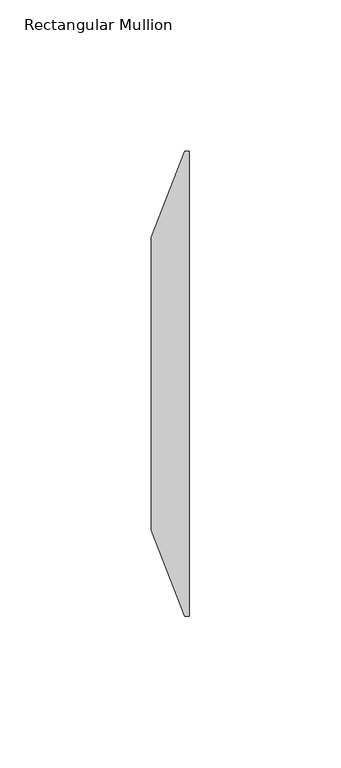
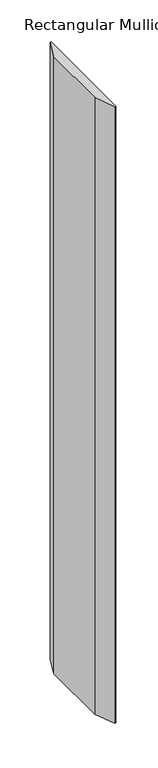
"""IFC4 building model written with IfcOpenShell, lengths in millimetres: member geometry, Rectangular Mullion."""

import ifcopenshell
import ifcopenshell.guid

model = None  # the IFC model being written
_history = None  # IfcOwnerHistory: only IFC2X3 demands one
_inside = {}  # id of a spatial element -> (the spatial element, [elements in it])
_under = {}  # id of a project, library or spatial element -> (it, [spatial elements below it])
_declared = {}  # id of a project -> (the project, [libraries it declares])
_typed = {}  # id of a type object -> (the type object, [elements of that type])
_made_of = {}  # id of a material, layer set ... -> (it, [elements and type objects made of it])


def new_model(schema):
    """Start an empty IFC model of exactly this schema.

    Asked for "IFC4X3", IfcOpenShell would pick the latest addendum, in which some entities
    have other attributes; the version numbers below select the first issue.
    IFC2X3 requires an IfcOwnerHistory on every rooted entity: one is made here for all.
    """
    global model, _history
    if schema == "IFC4X3":
        model = ifcopenshell.file(schema_version=(4, 3, 0, 0))
    else:
        model = ifcopenshell.file(schema=schema)
    _inside.clear()
    _under.clear()
    _declared.clear()
    _typed.clear()
    _made_of.clear()
    _history = None
    if model.schema == "IFC2X3":
        org = make("IfcOrganization", Name="unknown")
        user = make(
            "IfcPersonAndOrganization",
            ThePerson=make("IfcPerson", FamilyName="unknown"),
            TheOrganization=org,
        )
        app = make(
            "IfcApplication",
            ApplicationDeveloper=org,
            Version="unknown",
            ApplicationFullName="unknown",
            ApplicationIdentifier="unknown",
        )
        _history = make(
            "IfcOwnerHistory",
            OwningUser=user,
            OwningApplication=app,
            ChangeAction="ADDED",
            CreationDate=0,
        )
    return model


def make(cls, **values):
    """One entity of the class cls with the attributes given. An attribute that is None is left unset."""
    return model.create_entity(
        cls, **{name: value for name, value in values.items() if value is not None}
    )


def rooted(cls, **values):
    """An entity with a GlobalId (a new one), such as an element, a storey or a relation."""
    return make(cls, GlobalId=ifcopenshell.guid.new(), OwnerHistory=_history, **values)


def si_unit(unit_type, name, prefix=None):
    """IfcSIUnit, for example si_unit("LENGTHUNIT", "METRE", prefix="MILLI")."""
    return make("IfcSIUnit", UnitType=unit_type, Prefix=prefix, Name=name)


def assignment(units):
    """IfcUnitAssignment: the units of a project."""
    return None if units is None else make("IfcUnitAssignment", Units=units)


def point(xyz):
    """IfcCartesianPoint."""
    return None if xyz is None else make("IfcCartesianPoint", Coordinates=xyz)


def direction(xyz):
    """IfcDirection."""
    return None if xyz is None else make("IfcDirection", DirectionRatios=xyz)


def frame(location, z_axis=None, x_axis=None):
    """IfcAxis2Placement3D, a coordinate frame: its origin and axes. An axis left out is left unset."""
    return make(
        "IfcAxis2Placement3D",
        Location=point(location),
        Axis=direction(z_axis),
        RefDirection=direction(x_axis),
    )


def origin():
    """The frame at (0, 0, 0) with its axes left unset."""
    return frame((0.0, 0.0, 0.0))


def place(relative_to, where):
    """IfcLocalPlacement: puts the frame where relative to a parent placement (None: the world)."""
    return make(
        "IfcLocalPlacement", PlacementRelTo=relative_to, RelativePlacement=where
    )


def context(
    kind, dimensions, precision=None, world=None, true_north=None, identifier=None
):
    """IfcGeometricRepresentationContext, for example the 3D "Model" context."""
    return make(
        "IfcGeometricRepresentationContext",
        ContextIdentifier=identifier,
        ContextType=kind,
        CoordinateSpaceDimension=dimensions,
        Precision=precision,
        WorldCoordinateSystem=world,
        TrueNorth=true_north,
    )


def project(units=None, contexts=None):
    """IfcProject with its units and contexts."""
    return rooted(
        "IfcProject",
        Name="project",
        RepresentationContexts=contexts,
        UnitsInContext=assignment(units),
    )


def spatial(cls, under=None, at=None, **own):
    """A site, building, storey or space (cls), placed at a placement, below another one or the project."""
    s = rooted(cls, ObjectPlacement=at, **own)
    if under is not None:
        _under.setdefault(under.id(), (under, []))[1].append(s)
    return s


def polyline(points):
    """IfcPolyline through the points."""
    return make("IfcPolyline", Points=[point(p) for p in points])


def outline(outer, holes=None, kind="AREA"):
    """IfcArbitraryClosedProfileDef: a profile drawn as a closed curve; with holes, ...WithVoids."""
    if holes is None:
        return make("IfcArbitraryClosedProfileDef", ProfileType=kind, OuterCurve=outer)
    return make(
        "IfcArbitraryProfileDefWithVoids",
        ProfileType=kind,
        OuterCurve=outer,
        InnerCurves=holes,
    )


def extrude(swept, where, along, depth):
    """IfcExtrudedAreaSolid: the profile swept, set in the frame where, extruded along a direction by depth."""
    return make(
        "IfcExtrudedAreaSolid",
        SweptArea=swept,
        Position=where,
        ExtrudedDirection=direction(along),
        Depth=depth,
    )


def shape(context_of_items, identifier, shape_type, items):
    """IfcShapeRepresentation: the items that make up one representation, for example the "Body"."""
    return make(
        "IfcShapeRepresentation",
        ContextOfItems=context_of_items,
        RepresentationIdentifier=identifier,
        RepresentationType=shape_type,
        Items=items,
    )


def source(mapping_origin, context_of_items, identifier, shape_type, items):
    """IfcRepresentationMap: a shape defined once, which mapped items show again and again."""
    return make(
        "IfcRepresentationMap",
        MappingOrigin=mapping_origin,
        MappedRepresentation=shape(context_of_items, identifier, shape_type, items),
    )


def transform(
    local_origin,
    x_axis=None,
    y_axis=None,
    z_axis=None,
    scale=None,
    scale2=None,
    scale3=None,
    uniform=True,
):
    """IfcCartesianTransformationOperator3D, or its non-uniform kind. x_axis, y_axis, z_axis: its Axis1, 2, 3."""
    if uniform:
        return make(
            "IfcCartesianTransformationOperator3D",
            Axis1=direction(x_axis),
            Axis2=direction(y_axis),
            LocalOrigin=point(local_origin),
            Scale=scale,
            Axis3=direction(z_axis),
        )
    return make(
        "IfcCartesianTransformationOperator3DnonUniform",
        Axis1=direction(x_axis),
        Axis2=direction(y_axis),
        LocalOrigin=point(local_origin),
        Scale=scale,
        Axis3=direction(z_axis),
        Scale2=scale2,
        Scale3=scale3,
    )


def mapped(mapping_source, mapping_target):
    """IfcMappedItem: shows the shape of a source again, moved by a transform."""
    return make(
        "IfcMappedItem", MappingSource=mapping_source, MappingTarget=mapping_target
    )


def made_of(thing, what):
    """Note that an element or type object is made of a material, layer set ...; save() writes the relation."""
    if what is not None:
        _made_of.setdefault(what.id(), (what, []))[1].append(thing)
    return thing


def element(
    cls,
    number,
    at=None,
    inside=None,
    cuts=None,
    type_object=None,
    material=None,
    context=None,
    identifier="Body",
    shape_type=None,
    held_by="IfcProductDefinitionShape",
    body=None,
    shapes=None,
    **own,
):
    """One element of the class cls, such as IfcWall. Its Tag is "e" and its number.

    at: its placement. inside: the storey or other place that contains it. cuts: it is an
    opening in that element (IfcRelVoidsElement). A single representation is given by context,
    identifier, shape_type and body (its items); several are given by shapes. held_by: the class
    of the entity that holds the representations. save() writes the other relations.
    """
    e = rooted(cls, Tag="e%d" % number, ObjectPlacement=at, **own)
    if body is not None:
        shapes = [shape(context, identifier, shape_type, body)]
    if shapes is not None:
        e.Representation = make(held_by, Representations=shapes)
    if inside is not None:
        _inside.setdefault(inside.id(), (inside, []))[1].append(e)
    if cuts is not None:
        rooted(
            "IfcRelVoidsElement", RelatingBuildingElement=cuts, RelatedOpeningElement=e
        )
    if type_object is not None:
        _typed.setdefault(type_object.id(), (type_object, []))[1].append(e)
    return made_of(e, material)


def aggregate(whole, parts):
    """IfcRelAggregates: a whole, such as a stair, and the parts it consists of."""
    return rooted("IfcRelAggregates", RelatingObject=whole, RelatedObjects=parts)


def save(model, path):
    """Write the relations noted so far, then the file.

    IfcRelAggregates (storeys below a building ...), IfcRelContainedInSpatialStructure (elements
    in a storey), IfcRelDefinesByType, IfcRelAssociatesMaterial and IfcRelDeclares: one each for
    every whole, place, type object, material and project.
    """
    for whole, parts in _under.values():
        aggregate(whole, parts)
    for where, things in _inside.values():
        rooted(
            "IfcRelContainedInSpatialStructure",
            RelatedElements=things,
            RelatingStructure=where,
        )
    for kind, things in _typed.values():
        rooted("IfcRelDefinesByType", RelatedObjects=things, RelatingType=kind)
    for what, things in _made_of.values():
        rooted("IfcRelAssociatesMaterial", RelatedObjects=things, RelatingMaterial=what)
    for by, libraries in _declared.values():
        rooted("IfcRelDeclares", RelatingContext=by, RelatedDefinitions=libraries)
    model.write(path)


def rectangular_mullion_241a8031(model_context):
    return source(origin(), model_context, "Body", "SweptSolid", [
        extrude(outline(polyline([(0.0, -60.325), (-1.5875, -60.325), (-12.7, -31.75), (-12.7, 65.0875), (-1.5875, 93.6625), (0.0, 93.6625), (0.0, -60.325)])), frame((0.0, 0.0, -896.62), z_axis=(0.0, 0.0, 1.0), x_axis=(1.0, 0.0, 0.0)), (0.0, 0.0, 1.0), 896.62),
    ])


if __name__ == "__main__":
    model = new_model("IFC4")
    model_context = context("Model", 3, world=origin())
    ifc_project = project(units=[si_unit("LENGTHUNIT", "METRE", prefix="MILLI")], contexts=[model_context])
    site = spatial("IfcSite", under=ifc_project)
    building = spatial("IfcBuilding", under=site)
    placement = place(None, origin())
    rectangular_mullion_shape = rectangular_mullion_241a8031(model_context)
    element("IfcMember", 1, ObjectType="Rectangular Mullion", at=placement, inside=building, context=model_context, shape_type="MappedRepresentation", body=[
        mapped(rectangular_mullion_shape, transform((0.0, 0.0, 0.0), x_axis=(1.0, 0.0, 0.0), y_axis=(0.0, 1.0, 0.0), z_axis=(0.0, 0.0, 1.0))),
    ])
    save(model, "model.ifc")
